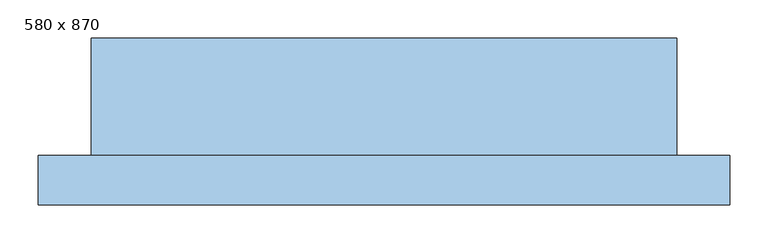
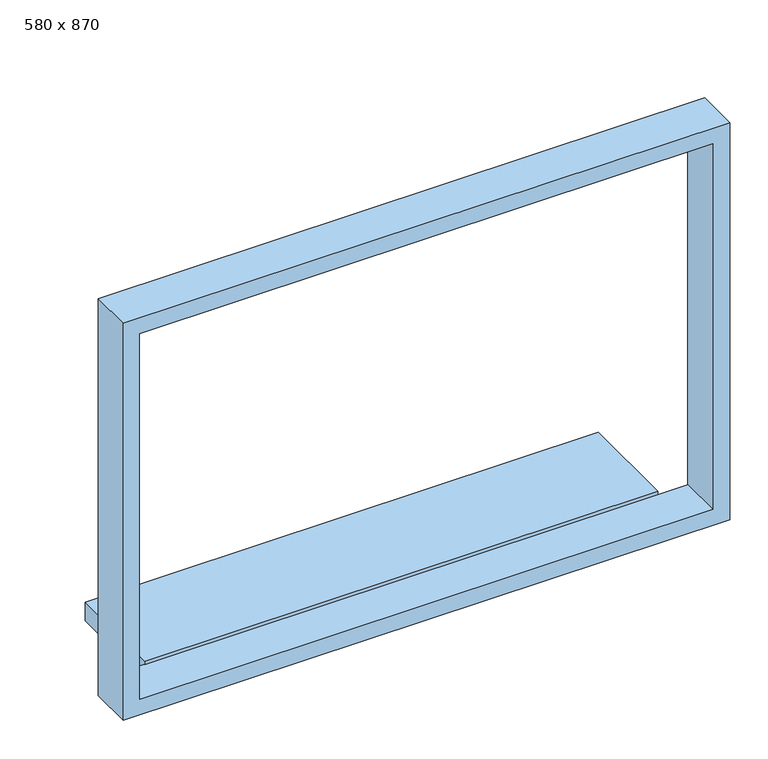
"""IFC4 building model written with IfcOpenShell, lengths in millimetres: window geometry, 580 x 870."""

from ifc_helpers import new_model, si_unit, frame, origin, place, context, project, spatial, polyline, outline, extrude, source, transform, mapped, element, save


def window_580_x_870_4ec5676b(model_context):
    return source(origin(), model_context, "Body", "SweptSolid", [
        extrude(outline(polyline([(346.9, 120.0), (-423.1, 120.0), (-423.1, 275.0), (346.9, 275.0), (346.9, 120.0)])), frame((0.0, 0.0, 800.0), z_axis=(0.0, 0.0, 1.0), x_axis=(1.0, 0.0, 0.0)), (0.0, 0.0, 1.0), 30.0),
        extrude(outline(polyline([(1430.0, -493.1), (800.0, -493.1), (800.0, 416.9), (1430.0, 416.9), (1430.0, -493.1)]), holes=[polyline([(825.0, -468.1), (1405.0, -468.1), (1405.0, 391.9), (825.0, 391.9), (825.0, -468.1)])]), frame((0.0, 55.0, 0.0), z_axis=(0.0, 1.0, 0.0), x_axis=(0.0, 0.0, 1.0)), (0.0, 0.0, 1.0), 65.0),
    ])


if __name__ == "__main__":
    model = new_model("IFC4")
    model_context = context("Model", 3, world=origin())
    ifc_project = project(units=[si_unit("LENGTHUNIT", "METRE", prefix="MILLI")], contexts=[model_context])
    site = spatial("IfcSite", under=ifc_project)
    building = spatial("IfcBuilding", under=site)
    placement = place(None, origin())
    window_580_x_870_shape = window_580_x_870_4ec5676b(model_context)
    element("IfcWindow", 1, ObjectType="580 x 870", at=placement, inside=building, context=model_context, shape_type="MappedRepresentation", body=[
        mapped(window_580_x_870_shape, transform((0.0, 0.0, 0.0), x_axis=(1.0, 0.0, 0.0), y_axis=(0.0, 1.0, 0.0), z_axis=(0.0, 0.0, 1.0))),
    ])
    save(model, "model.ifc")
